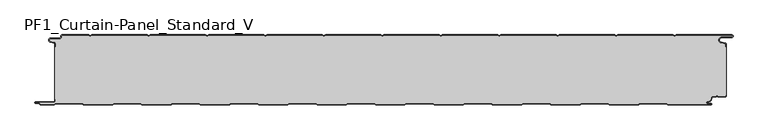
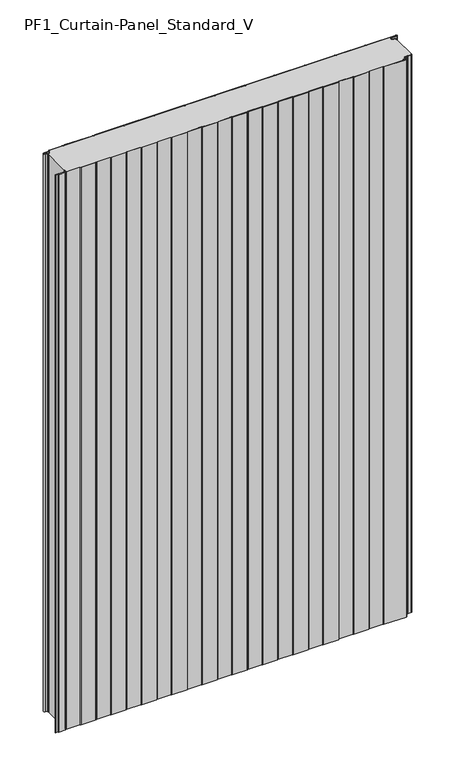
"""IFC4 building model written with IfcOpenShell, lengths in millimetres: plate geometry, PF1_Curtain-Panel_Standard_V."""

from ifc_helpers import new_model, si_unit, point, frame_2d, origin, origin_with_axes, place, context, project, spatial, polyline, circle_curve, trimmed, segment, composite_curve, outline, extrude, source, transform, mapped, element, save


def pf1_curtain_panel_standard_v_e90553dd(model_context):
    return source(origin(), model_context, "Body", "SweptSolid", [
        extrude(outline(composite_curve([segment(trimmed(circle_curve(frame_2d((-577.0, -15.878557)), 2.0), [point((-575.0, -15.878557))], [point((-576.5500978, -13.9298169))], True, "CARTESIAN"), True, "CONTINUOUS"), segment(polyline([(-576.5500978, -13.9298169), (-582.7098239, -12.507732)]), True, "CONTINUOUS"), segment(trimmed(circle_curve(frame_2d((-581.9, -9.0)), 3.6), [point((-582.7098239, -12.507732))], [point((-581.9, -5.4))], False, "CARTESIAN"), True, "CONTINUOUS"), segment(polyline([(-581.9, -5.4), (-566.4, -5.4)]), True, "CONTINUOUS"), segment(trimmed(circle_curve(frame_2d((-566.4, -3.4)), 2.0), [point((-566.4, -5.4))], [point((-564.4, -3.4))], True, "CARTESIAN"), True, "CONTINUOUS"), segment(polyline([(-564.4, -3.4), (-564.4, -2.0)]), True, "CONTINUOUS"), segment(trimmed(circle_curve(frame_2d((-562.4, -2.0)), 2.0), [point((-564.4, -2.0))], [point((-562.4, 0.0))], False, "CARTESIAN"), True, "CONTINUOUS"), segment(polyline([(-562.4, 0.0), (-517.0999995, 0.0), (-514.4, -1.5588455), (-511.7000005, 0.0), (-417.0999995, 0.0), (-414.4, -1.5588455), (-411.7000005, 0.0), (-317.0999995, 0.0), (-314.4, -1.5588455), (-311.7000005, 0.0), (-217.0999995, 0.0), (-214.4, -1.5588455), (-211.7000005, 0.0), (-117.0999995, 0.0), (-114.4, -1.5588455), (-111.7000005, 0.0), (-17.0999995, 0.0), (-14.4, -1.5588455), (-11.7000005, 0.0), (82.9000005, 0.0), (85.6, -1.5588455), (88.2999995, 0.0), (182.9000005, 0.0), (185.6, -1.5588455), (188.2999995, 0.0), (282.9000005, 0.0), (285.6, -1.5588455), (288.2999995, 0.0), (382.9000005, 0.0), (385.6, -1.5588455), (388.2999995, 0.0), (482.9000005, 0.0), (485.6, -1.5588455), (488.2999995, 0.0), (583.268846, 0.0)]), True, "CONTINUOUS"), segment(trimmed(circle_curve(frame_2d((583.268846, -2.5)), 2.5), [point((583.268846, 0.0))], [point((583.268846, -5.0))], False, "CARTESIAN"), True, "CONTINUOUS"), segment(polyline([(583.268846, -5.0), (566.268846, -5.0)]), True, "CONTINUOUS"), segment(trimmed(circle_curve(frame_2d((566.268846, -9.0)), 4.0), [point((566.268846, -5.0))], [point((565.574253, -12.939231))], True, "CARTESIAN"), True, "CONTINUOUS"), segment(polyline([(565.574253, -12.939231), (572.0203315, -14.0758491)]), True, "CONTINUOUS"), segment(trimmed(circle_curve(frame_2d((571.568846, -16.6363492)), 2.6), [point((572.0203315, -14.0758491))], [point((574.168846, -16.6363492))], False, "CARTESIAN"), True, "CONTINUOUS"), segment(polyline([(574.168846, -16.6363492), (574.168846, -20.0), (573.368846, -20.0), (573.368846, -16.6363492)]), True, "CONTINUOUS"), segment(trimmed(circle_curve(frame_2d((571.568846, -16.6363492)), 1.8), [point((573.368846, -16.6363492))], [point((571.8814129, -14.8636953))], True, "CARTESIAN"), True, "CONTINUOUS"), segment(polyline([(571.8814129, -14.8636953), (565.4353344, -13.7270772)]), True, "CONTINUOUS"), segment(trimmed(circle_curve(frame_2d((566.268846, -9.0)), 4.8), [point((565.4353344, -13.7270772))], [point((566.268846, -4.2))], False, "CARTESIAN"), True, "CONTINUOUS"), segment(polyline([(566.268846, -4.2), (583.268846, -4.2)]), True, "CONTINUOUS"), segment(trimmed(circle_curve(frame_2d((583.268846, -2.5)), 1.7), [point((583.268846, -4.2))], [point((583.268846, -0.8))], True, "CARTESIAN"), True, "CONTINUOUS"), segment(polyline([(583.268846, -0.8), (488.5143588, -0.8), (485.6, -2.482606), (482.6856412, -0.8), (388.5143588, -0.8), (385.6, -2.482606), (382.6856412, -0.8), (288.5143588, -0.8), (285.6, -2.482606), (282.6856412, -0.8), (188.5143588, -0.8), (185.6, -2.482606), (182.6856412, -0.8), (88.5143588, -0.8), (85.6, -2.482606), (82.6856412, -0.8), (-11.4856412, -0.8), (-14.4, -2.482606), (-17.3143588, -0.8), (-111.4856412, -0.8), (-114.4, -2.482606), (-117.3143588, -0.8), (-211.4856412, -0.8), (-214.4, -2.482606), (-217.3143588, -0.8), (-311.4856412, -0.8), (-314.4, -2.482606), (-317.3143588, -0.8), (-411.4856412, -0.8), (-414.4, -2.482606), (-417.3143588, -0.8), (-511.4856412, -0.8), (-514.4, -2.482606), (-517.3143588, -0.8), (-562.4, -0.8)]), True, "CONTINUOUS"), segment(trimmed(circle_curve(frame_2d((-562.4, -2.0)), 1.2), [point((-562.4, -0.8))], [point((-563.6, -2.0))], True, "CARTESIAN"), True, "CONTINUOUS"), segment(polyline([(-563.6, -2.0), (-563.6, -3.4)]), True, "CONTINUOUS"), segment(trimmed(circle_curve(frame_2d((-566.4, -3.4)), 2.8), [point((-563.6, -3.4))], [point((-566.4, -6.2))], False, "CARTESIAN"), True, "CONTINUOUS"), segment(polyline([(-566.4, -6.2), (-581.9, -6.2)]), True, "CONTINUOUS"), segment(trimmed(circle_curve(frame_2d((-581.9, -9.0)), 2.8), [point((-581.9, -6.2))], [point((-582.529863, -11.7282362))], True, "CARTESIAN"), True, "CONTINUOUS"), segment(polyline([(-582.529863, -11.7282362), (-576.370137, -13.150321)]), True, "CONTINUOUS"), segment(trimmed(circle_curve(frame_2d((-577.0, -15.878557)), 2.8), [point((-576.370137, -13.150321))], [point((-574.2, -15.878557))], False, "CARTESIAN"), True, "CONTINUOUS"), segment(polyline([(-574.2, -15.878557), (-574.2, -20.0), (-575.0, -20.0), (-575.0, -15.878557)]), True, "CONTINUOUS")], self_intersect=False)), origin_with_axes(), (0.0, 0.0, 1.0), 1945.7507136),
        extrude(outline(composite_curve([segment(polyline([(-574.2, -110.0), (-575.0, -110.0), (-575.0, -20.0), (-574.2, -20.0), (-574.2, -15.878557)]), True, "CONTINUOUS"), segment(trimmed(circle_curve(frame_2d((-577.0, -15.878557)), 2.8), [point((-574.2, -15.878557))], [point((-576.370137, -13.1503208))], True, "CARTESIAN"), True, "CONTINUOUS"), segment(polyline([(-576.370137, -13.1503208), (-582.529863, -11.7282362)]), True, "CONTINUOUS"), segment(trimmed(circle_curve(frame_2d((-581.9, -9.0)), 2.8), [point((-582.529863, -11.7282362))], [point((-581.9, -6.2))], False, "CARTESIAN"), True, "CONTINUOUS"), segment(polyline([(-581.9, -6.2), (-566.4, -6.2)]), True, "CONTINUOUS"), segment(trimmed(circle_curve(frame_2d((-566.4, -3.4)), 2.8), [point((-566.4, -6.2))], [point((-563.6, -3.4))], True, "CARTESIAN"), True, "CONTINUOUS"), segment(polyline([(-563.6, -3.4), (-563.6, -2.0)]), True, "CONTINUOUS"), segment(trimmed(circle_curve(frame_2d((-562.4, -2.0)), 1.2), [point((-563.6, -2.0))], [point((-562.4, -0.8))], False, "CARTESIAN"), True, "CONTINUOUS"), segment(polyline([(-562.4, -0.8), (-517.3143588, -0.8), (-514.4, -2.482606), (-511.4856412, -0.8), (-417.3143588, -0.8), (-414.4, -2.482606), (-411.4856412, -0.8), (-317.3143588, -0.8), (-314.4, -2.482606), (-311.4856412, -0.8), (-217.3143588, -0.8), (-214.4, -2.482606), (-211.4856412, -0.8), (-117.3143588, -0.8), (-114.4, -2.482606), (-111.4856412, -0.8), (-17.3143588, -0.8), (-14.4, -2.482606), (-11.4856412, -0.8), (82.6856412, -0.8), (85.6, -2.482606), (88.5143588, -0.8), (182.6856412, -0.8), (185.6, -2.482606), (188.5143588, -0.8), (282.6856412, -0.8), (285.6, -2.482606), (288.5143588, -0.8), (382.6856412, -0.8), (385.6, -2.482606), (388.5143588, -0.8), (482.6856412, -0.8), (485.6, -2.482606), (488.5143588, -0.8), (583.268846, -0.8)]), True, "CONTINUOUS"), segment(trimmed(circle_curve(frame_2d((583.268846, -2.5)), 1.7), [point((583.268846, -0.8))], [point((583.268846, -4.2))], False, "CARTESIAN"), True, "CONTINUOUS"), segment(polyline([(583.268846, -4.2), (566.268846, -4.2)]), True, "CONTINUOUS"), segment(trimmed(circle_curve(frame_2d((566.268846, -9.0)), 4.8), [point((566.268846, -4.2))], [point((565.4353344, -13.7270772))], True, "CARTESIAN"), True, "CONTINUOUS"), segment(polyline([(565.4353344, -13.7270772), (571.8814129, -14.8636953)]), True, "CONTINUOUS"), segment(trimmed(circle_curve(frame_2d((571.568846, -16.6363492)), 1.8), [point((571.8814129, -14.8636953))], [point((573.368846, -16.6363492))], False, "CARTESIAN"), True, "CONTINUOUS"), segment(polyline([(573.368846, -16.6363492), (573.368846, -20.0), (574.168846, -20.0), (574.168846, -103.0), (573.368846, -103.0), (573.368846, -104.4)]), True, "CONTINUOUS"), segment(trimmed(circle_curve(frame_2d((571.568846, -104.4)), 1.8), [point((573.368846, -104.4))], [point((571.568846, -106.2))], False, "CARTESIAN"), True, "CONTINUOUS"), segment(polyline([(571.568846, -106.2), (560.0002158, -106.2), (558.168846, -104.3686285), (556.3374762, -106.2), (550.168846, -106.2)]), True, "CONTINUOUS"), segment(trimmed(circle_curve(frame_2d((550.168846, -108.0)), 1.8), [point((550.168846, -106.2))], [point((548.368846, -108.0))], True, "CARTESIAN"), True, "CONTINUOUS"), segment(polyline([(548.368846, -108.0), (548.368846, -108.8276204)]), True, "CONTINUOUS"), segment(trimmed(circle_curve(frame_2d((542.9964664, -108.8276204)), 5.3723796), [point((548.368846, -108.8276204))], [point((542.9964664, -114.2))], False, "CARTESIAN"), True, "CONTINUOUS"), segment(polyline([(542.9964664, -114.2), (542.168846, -114.2)]), True, "CONTINUOUS"), segment(trimmed(circle_curve(frame_2d((542.168846, -116.4)), 2.2), [point((542.168846, -114.2))], [point((542.168846, -118.6))], True, "CARTESIAN"), True, "CONTINUOUS"), segment(polyline([(542.168846, -118.6), (548.0579973, -118.6)]), True, "CONTINUOUS"), segment(trimmed(circle_curve(frame_2d((548.0579973, -118.9)), 0.3), [point((548.0579973, -118.6))], [point((548.0579973, -119.2))], False, "CARTESIAN"), True, "CONTINUOUS"), segment(polyline([(548.0579973, -119.2), (474.2152562, -119.2), (471.6171786, -117.7), (426.3884624, -117.7), (423.7903848, -119.2), (374.2152562, -119.2), (371.6171786, -117.7), (326.3884624, -117.7), (323.7903848, -119.2), (274.2152562, -119.2), (271.6171786, -117.7), (226.3884624, -117.7), (223.7903848, -119.2), (174.2152562, -119.2), (171.6171786, -117.7), (126.3884624, -117.7), (123.7903848, -119.2), (74.2152562, -119.2), (71.6171786, -117.7), (26.3884624, -117.7), (23.7903848, -119.2), (-25.7847438, -119.2), (-28.3828214, -117.7), (-73.6115376, -117.7), (-76.2096152, -119.2), (-125.7847438, -119.2), (-128.3828214, -117.7), (-173.6115376, -117.7), (-176.2096152, -119.2), (-225.7847438, -119.2), (-228.3828214, -117.7), (-273.6115376, -117.7), (-276.2096152, -119.2), (-325.7847438, -119.2), (-328.3828214, -117.7), (-373.6115376, -117.7), (-376.2096152, -119.2), (-425.7847438, -119.2), (-428.3828214, -117.7), (-473.6115376, -117.7), (-476.2096152, -119.2), (-525.7847438, -119.2), (-528.3828214, -117.7), (-573.6115376, -117.7), (-576.2096152, -119.2), (-599.4, -119.2)]), True, "CONTINUOUS"), segment(trimmed(circle_curve(frame_2d((-599.4, -118.4)), 0.8), [point((-599.4, -119.2))], [point((-600.2, -118.4))], False, "CARTESIAN"), True, "CONTINUOUS"), segment(trimmed(circle_curve(frame_2d((-601.9, -118.6133333)), 1.7133333), [point((-600.2, -118.4))], [point((-601.9, -116.9))], True, "CARTESIAN"), True, "CONTINUOUS"), segment(polyline([(-601.9, -116.9), (-607.8700312, -116.9)]), True, "CONTINUOUS"), segment(trimmed(circle_curve(frame_2d((-607.8700312, -116.6)), 0.3), [point((-607.8700312, -116.9))], [point((-607.8700312, -116.3))], False, "CARTESIAN"), True, "CONTINUOUS"), segment(polyline([(-607.8700312, -116.3), (-577.0, -116.3)]), True, "CONTINUOUS"), segment(trimmed(circle_curve(frame_2d((-577.0, -113.5)), 2.8), [point((-577.0, -116.3))], [point((-574.2, -113.5))], True, "CARTESIAN"), True, "CONTINUOUS"), segment(polyline([(-574.2, -113.5), (-574.2, -110.0)]), True, "CONTINUOUS")], self_intersect=False)), origin_with_axes(), (0.0, 0.0, 1.0), 1945.7507136),
        extrude(outline(composite_curve([segment(polyline([(-575.0, -110.0), (-574.2, -110.0), (-574.2, -113.5)]), True, "CONTINUOUS"), segment(trimmed(circle_curve(frame_2d((-577.0, -113.5)), 2.8), [point((-574.2, -113.5))], [point((-577.0, -116.3))], False, "CARTESIAN"), True, "CONTINUOUS"), segment(polyline([(-577.0, -116.3), (-607.8700312, -116.3)]), True, "CONTINUOUS"), segment(trimmed(circle_curve(frame_2d((-607.8700312, -116.6)), 0.3), [point((-607.8700312, -116.3))], [point((-607.8700312, -116.9))], True, "CARTESIAN"), True, "CONTINUOUS"), segment(polyline([(-607.8700312, -116.9), (-601.9, -116.9)]), True, "CONTINUOUS"), segment(trimmed(circle_curve(frame_2d((-601.9, -118.6133333)), 1.7133333), [point((-601.9, -116.9))], [point((-600.2, -118.4))], False, "CARTESIAN"), True, "CONTINUOUS"), segment(trimmed(circle_curve(frame_2d((-599.4, -118.4)), 0.8), [point((-600.2, -118.4))], [point((-599.4, -119.2))], True, "CARTESIAN"), True, "CONTINUOUS"), segment(polyline([(-599.4, -119.2), (-576.2096152, -119.2), (-573.6115376, -117.7), (-528.3828214, -117.7), (-525.7847438, -119.2), (-476.2096152, -119.2), (-473.6115376, -117.7), (-428.3828214, -117.7), (-425.7847438, -119.2), (-376.2096152, -119.2), (-373.6115376, -117.7), (-328.3828214, -117.7), (-325.7847438, -119.2), (-276.2096152, -119.2), (-273.6115376, -117.7), (-228.3828214, -117.7), (-225.7847438, -119.2), (-176.2096152, -119.2), (-173.6115376, -117.7), (-128.3828214, -117.7), (-125.7847438, -119.2), (-76.2096152, -119.2), (-73.6115376, -117.7), (-28.3828214, -117.7), (-25.7847438, -119.2), (23.7903848, -119.2), (26.3884624, -117.7), (71.6171786, -117.7), (74.2152562, -119.2), (123.7903848, -119.2), (126.3884624, -117.7), (171.6171786, -117.7), (174.2152562, -119.2), (223.7903848, -119.2), (226.3884624, -117.7), (271.6171786, -117.7), (274.2152562, -119.2), (323.7903848, -119.2), (326.3884624, -117.7), (371.6171786, -117.7), (374.2152562, -119.2), (423.7903848, -119.2), (426.3884624, -117.7), (471.6171786, -117.7), (474.2152562, -119.2), (548.0579973, -119.2)]), True, "CONTINUOUS"), segment(trimmed(circle_curve(frame_2d((548.0579973, -118.9)), 0.3), [point((548.0579973, -119.2))], [point((548.0579973, -118.6))], True, "CARTESIAN"), True, "CONTINUOUS"), segment(polyline([(548.0579973, -118.6), (542.168846, -118.6)]), True, "CONTINUOUS"), segment(trimmed(circle_curve(frame_2d((542.168846, -116.4)), 2.2), [point((542.168846, -118.6))], [point((542.168846, -114.2))], False, "CARTESIAN"), True, "CONTINUOUS"), segment(polyline([(542.168846, -114.2), (542.9964664, -114.2)]), True, "CONTINUOUS"), segment(trimmed(circle_curve(frame_2d((542.9964664, -108.8276204)), 5.3723796), [point((542.9964664, -114.2))], [point((548.368846, -108.8276204))], True, "CARTESIAN"), True, "CONTINUOUS"), segment(polyline([(548.368846, -108.8276204), (548.368846, -108.0)]), True, "CONTINUOUS"), segment(trimmed(circle_curve(frame_2d((550.168846, -108.0)), 1.8), [point((548.368846, -108.0))], [point((550.168846, -106.2))], False, "CARTESIAN"), True, "CONTINUOUS"), segment(polyline([(550.168846, -106.2), (556.3374762, -106.2), (558.168846, -104.3686285), (560.0002158, -106.2), (571.568846, -106.2)]), True, "CONTINUOUS"), segment(trimmed(circle_curve(frame_2d((571.568846, -104.4)), 1.8), [point((571.568846, -106.2))], [point((573.368846, -104.4))], True, "CARTESIAN"), True, "CONTINUOUS"), segment(polyline([(573.368846, -104.4), (573.368846, -103.0), (574.168846, -103.0), (574.168846, -104.4)]), True, "CONTINUOUS"), segment(trimmed(circle_curve(frame_2d((571.568846, -104.4)), 2.6), [point((574.168846, -104.4))], [point((571.568846, -107.0))], False, "CARTESIAN"), True, "CONTINUOUS"), segment(polyline([(571.568846, -107.0), (559.6688448, -107.0), (558.168846, -105.4999999), (556.6688472, -107.0), (550.168846, -107.0)]), True, "CONTINUOUS"), segment(trimmed(circle_curve(frame_2d((550.168846, -108.0)), 1.0), [point((550.168846, -107.0))], [point((549.168846, -108.0))], True, "CARTESIAN"), True, "CONTINUOUS"), segment(polyline([(549.168846, -108.0), (549.168846, -108.8276204)]), True, "CONTINUOUS"), segment(trimmed(circle_curve(frame_2d((542.9964664, -108.8276204)), 6.1723796), [point((549.168846, -108.8276204))], [point((542.9964664, -115.0))], False, "CARTESIAN"), True, "CONTINUOUS"), segment(polyline([(542.9964664, -115.0), (542.168846, -115.0)]), True, "CONTINUOUS"), segment(trimmed(circle_curve(frame_2d((542.168846, -116.5)), 1.5), [point((542.168846, -115.0))], [point((542.168846, -118.0))], True, "CARTESIAN"), True, "CONTINUOUS"), segment(polyline([(542.168846, -118.0), (548.168846, -118.0)]), True, "CONTINUOUS"), segment(trimmed(circle_curve(frame_2d((548.168846, -119.0)), 1.0), [point((548.168846, -118.0))], [point((548.168846, -120.0))], False, "CARTESIAN"), True, "CONTINUOUS"), segment(polyline([(548.168846, -120.0), (474.0008969, -120.0), (471.4028193, -118.5), (426.6028217, -118.5), (424.0047441, -120.0), (374.0008969, -120.0), (371.4028193, -118.5), (326.6028217, -118.5), (324.0047441, -120.0), (274.0008969, -120.0), (271.4028193, -118.5), (226.6028217, -118.5), (224.0047441, -120.0), (174.0008969, -120.0), (171.4028193, -118.5), (126.6028217, -118.5), (124.0047441, -120.0), (74.0008969, -120.0), (71.4028193, -118.5), (26.6028217, -118.5), (24.0047441, -120.0), (-25.9991031, -120.0), (-28.5971807, -118.5), (-73.3971783, -118.5), (-75.9952559, -120.0), (-125.9991031, -120.0), (-128.5971807, -118.5), (-173.3971783, -118.5), (-175.9952559, -120.0), (-225.9991031, -120.0), (-228.5971807, -118.5), (-273.3971783, -118.5), (-275.9952559, -120.0), (-325.9991031, -120.0), (-328.5971807, -118.5), (-373.3971783, -118.5), (-375.9952559, -120.0), (-425.9991031, -120.0), (-428.5971807, -118.5), (-473.3971783, -118.5), (-475.9952559, -120.0), (-525.9991031, -120.0), (-528.5971807, -118.5), (-573.3971783, -118.5), (-575.9952559, -120.0), (-599.4, -120.0)]), True, "CONTINUOUS"), segment(trimmed(circle_curve(frame_2d((-599.4, -118.4)), 1.6), [point((-599.4, -120.0))], [point((-601.0, -118.4))], False, "CARTESIAN"), True, "CONTINUOUS"), segment(trimmed(circle_curve(frame_2d((-601.9, -118.4)), 0.9), [point((-601.0, -118.4))], [point((-601.9, -117.5))], True, "CARTESIAN"), True, "CONTINUOUS"), segment(polyline([(-601.9, -117.5), (-608.0, -117.5)]), True, "CONTINUOUS"), segment(trimmed(circle_curve(frame_2d((-608.0, -116.5)), 1.0), [point((-608.0, -117.5))], [point((-608.0, -115.5))], False, "CARTESIAN"), True, "CONTINUOUS"), segment(polyline([(-608.0, -115.5), (-577.0, -115.5)]), True, "CONTINUOUS"), segment(trimmed(circle_curve(frame_2d((-577.0, -113.5)), 2.0), [point((-577.0, -115.5))], [point((-575.0, -113.5))], True, "CARTESIAN"), True, "CONTINUOUS"), segment(polyline([(-575.0, -113.5), (-575.0, -110.0)]), True, "CONTINUOUS")], self_intersect=False)), origin_with_axes(), (0.0, 0.0, 1.0), 1945.7507136),
    ])


if __name__ == "__main__":
    model = new_model("IFC4")
    model_context = context("Model", 3, world=origin())
    ifc_project = project(units=[si_unit("LENGTHUNIT", "METRE", prefix="MILLI")], contexts=[model_context])
    site = spatial("IfcSite", under=ifc_project)
    building = spatial("IfcBuilding", under=site)
    placement = place(None, origin())
    pf1_curtain_panel_standard_v_shape = pf1_curtain_panel_standard_v_e90553dd(model_context)
    element("IfcPlate", 1, ObjectType="PF1_Curtain-Panel_Standard_V", at=placement, inside=building, context=model_context, shape_type="MappedRepresentation", body=[
        mapped(pf1_curtain_panel_standard_v_shape, transform((0.0, 0.0, 0.0), x_axis=(1.0, 0.0, 0.0), y_axis=(0.0, 1.0, 0.0), z_axis=(0.0, 0.0, 1.0))),
    ])
    save(model, "model.ifc")
